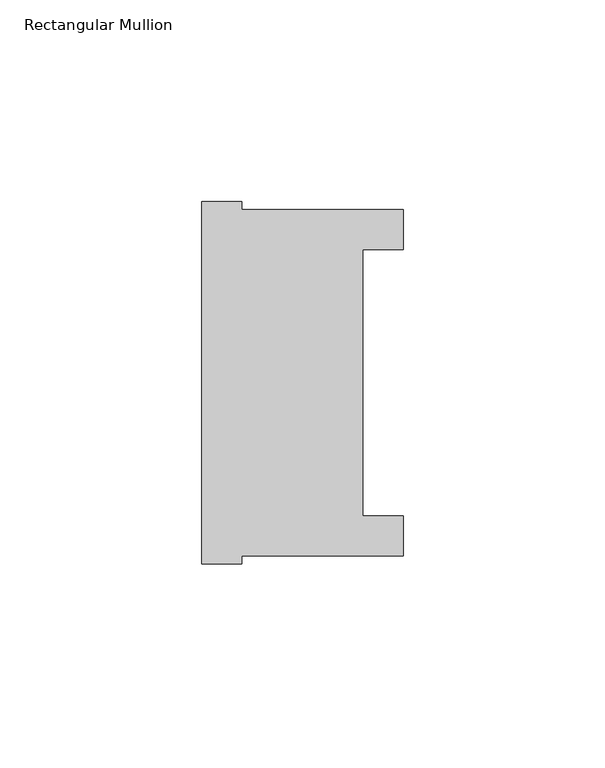
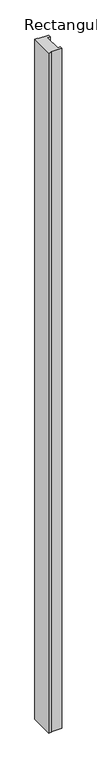
"""IFC4 building model written with IfcOpenShell, lengths in millimetres: member geometry, Rectangular Mullion."""

from ifc_helpers import new_model, si_unit, frame, origin, place, context, project, spatial, polyline, outline, extrude, source, transform, mapped, element, save


def rectangular_mullion_ef0db0f2(model_context):
    return source(origin(), model_context, "Body", "SweptSolid", [
        extrude(outline(polyline([(-50.0, 44.8550798), (-40.0, 44.8550798), (-40.0, 42.8550798), (0.0, 42.8550798), (0.0, 32.8550798), (-10.0, 32.8550798), (-10.0, -33.1449202), (0.0, -33.1449202), (0.0, -43.1449202), (-40.0, -43.1449202), (-40.0, -45.1449202), (-50.0, -45.1449202), (-50.0, 44.8550798)])), frame((0.0, 0.0, -2700.0), z_axis=(0.0, 0.0, 1.0), x_axis=(1.0, 0.0, 0.0)), (0.0, 0.0, 1.0), 2700.0),
    ])


if __name__ == "__main__":
    model = new_model("IFC4")
    model_context = context("Model", 3, world=origin())
    ifc_project = project(units=[si_unit("LENGTHUNIT", "METRE", prefix="MILLI")], contexts=[model_context])
    site = spatial("IfcSite", under=ifc_project)
    building = spatial("IfcBuilding", under=site)
    placement = place(None, origin())
    rectangular_mullion_shape = rectangular_mullion_ef0db0f2(model_context)
    element("IfcMember", 1, ObjectType="Rectangular Mullion", at=placement, inside=building, context=model_context, shape_type="MappedRepresentation", body=[
        mapped(rectangular_mullion_shape, transform((0.0, 0.0, 0.0), x_axis=(1.0, 0.0, 0.0), y_axis=(0.0, 1.0, 0.0), z_axis=(0.0, 0.0, 1.0))),
    ])
    save(model, "model.ifc")
